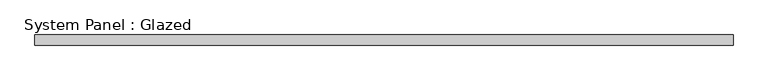
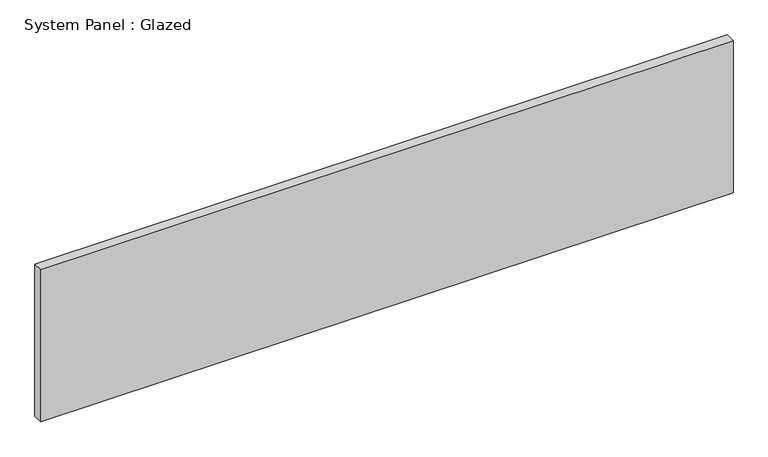
"""IFC4 building model written with IfcOpenShell, lengths in millimetres: plate geometry, System Panel : Glazed."""

from ifc_helpers import new_model, si_unit, origin, origin_with_axes, place, context, project, spatial, polyline, outline, extrude, source, transform, mapped, element, save


def system_panel_glazed_99b5e7fd(model_context):
    return source(origin(), model_context, "Body", "SweptSolid", [
        extrude(outline(polyline([(862.0, 24.5), (-862.0, 24.5), (-862.0, 49.5), (862.0, 49.5), (862.0, 24.5)])), origin_with_axes(), (0.0, 0.0, 1.0), 400.0),
    ])


if __name__ == "__main__":
    model = new_model("IFC4")
    model_context = context("Model", 3, world=origin())
    ifc_project = project(units=[si_unit("LENGTHUNIT", "METRE", prefix="MILLI")], contexts=[model_context])
    site = spatial("IfcSite", under=ifc_project)
    building = spatial("IfcBuilding", under=site)
    placement = place(None, origin())
    system_panel_glazed_shape = system_panel_glazed_99b5e7fd(model_context)
    element("IfcPlate", 1, ObjectType="System Panel : Glazed", at=placement, inside=building, context=model_context, shape_type="MappedRepresentation", body=[
        mapped(system_panel_glazed_shape, transform((0.0, 0.0, 0.0), x_axis=(1.0, 0.0, 0.0), y_axis=(0.0, 1.0, 0.0), z_axis=(0.0, 0.0, 1.0))),
    ])
    save(model, "model.ifc")
